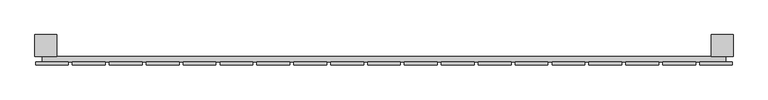
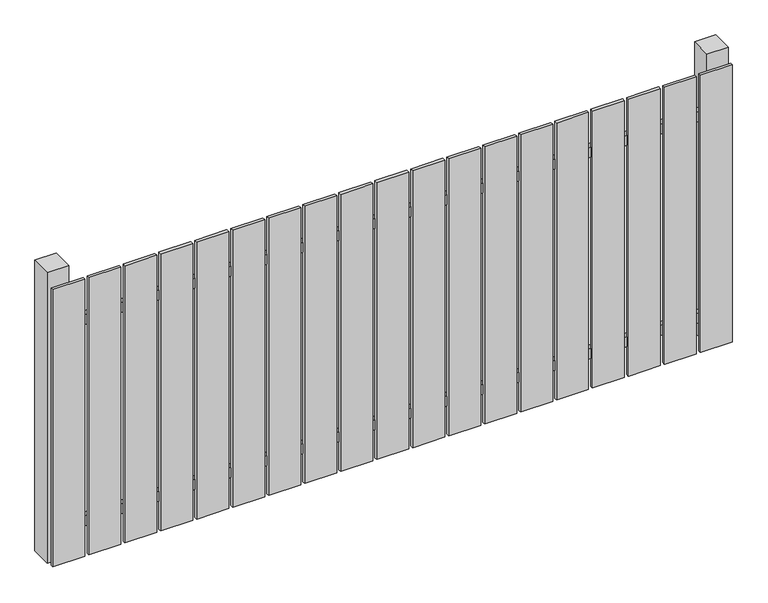
"""IFC4 building model written with IfcOpenShell, lengths in millimetres: railing geometry."""

from ifc_helpers import new_model, si_unit, frame, origin, origin_with_axes, place, context, project, spatial, polyline, outline, extrude, source, transform, mapped, element, save


def railing_3d18ed69(model_context):
    return source(origin(), model_context, "Body", "SweptSolid", [
        extrude(outline(polyline([(11087.4299228, -95939.0267127), (11087.4299228, -95919.0267127), (13587.4299228, -95919.0267127), (13587.4299228, -95939.0267127), (11087.4299228, -95939.0267127)])), frame((0.0, 0.0, 110.0), z_axis=(0.0, 0.0, 1.0), x_axis=(1.0, 0.0, 0.0)), (0.0, 0.0, 1.0), 40.0),
        extrude(outline(polyline([(11087.4299228, -95939.0267127), (11087.4299228, -95919.0267127), (13587.4299228, -95919.0267127), (13587.4299228, -95939.0267127), (11087.4299228, -95939.0267127)])), frame((0.0, 0.0, 910.0), z_axis=(0.0, 0.0, 1.0), x_axis=(1.0, 0.0, 0.0)), (0.0, 0.0, 1.0), 40.0),
        extrude(outline(polyline([(13492.4299228, -95950.5267127), (13492.4299228, -95939.5267127), (13612.4299228, -95939.5267127), (13612.4299228, -95950.5267127), (13492.4299228, -95950.5267127)])), origin_with_axes(), (0.0, 0.0, 1.0), 1100.0),
        extrude(outline(polyline([(13357.4299228, -95950.5267127), (13357.4299228, -95939.5267127), (13477.4299228, -95939.5267127), (13477.4299228, -95950.5267127), (13357.4299228, -95950.5267127)])), origin_with_axes(), (0.0, 0.0, 1.0), 1100.0),
        extrude(outline(polyline([(13222.4299228, -95950.5267127), (13222.4299228, -95939.5267127), (13342.4299228, -95939.5267127), (13342.4299228, -95950.5267127), (13222.4299228, -95950.5267127)])), origin_with_axes(), (0.0, 0.0, 1.0), 1100.0),
        extrude(outline(polyline([(13087.4299228, -95950.5267127), (13087.4299228, -95939.5267127), (13207.4299228, -95939.5267127), (13207.4299228, -95950.5267127), (13087.4299228, -95950.5267127)])), origin_with_axes(), (0.0, 0.0, 1.0), 1100.0),
        extrude(outline(polyline([(12952.4299228, -95950.5267127), (12952.4299228, -95939.5267127), (13072.4299228, -95939.5267127), (13072.4299228, -95950.5267127), (12952.4299228, -95950.5267127)])), origin_with_axes(), (0.0, 0.0, 1.0), 1100.0),
        extrude(outline(polyline([(12817.4299228, -95950.5267127), (12817.4299228, -95939.5267127), (12937.4299228, -95939.5267127), (12937.4299228, -95950.5267127), (12817.4299228, -95950.5267127)])), origin_with_axes(), (0.0, 0.0, 1.0), 1100.0),
        extrude(outline(polyline([(12682.4299228, -95950.5267127), (12682.4299228, -95939.5267127), (12802.4299228, -95939.5267127), (12802.4299228, -95950.5267127), (12682.4299228, -95950.5267127)])), origin_with_axes(), (0.0, 0.0, 1.0), 1100.0),
        extrude(outline(polyline([(12547.4299228, -95950.5267127), (12547.4299228, -95939.5267127), (12667.4299228, -95939.5267127), (12667.4299228, -95950.5267127), (12547.4299228, -95950.5267127)])), origin_with_axes(), (0.0, 0.0, 1.0), 1100.0),
        extrude(outline(polyline([(12412.4299228, -95950.5267127), (12412.4299228, -95939.5267127), (12532.4299228, -95939.5267127), (12532.4299228, -95950.5267127), (12412.4299228, -95950.5267127)])), origin_with_axes(), (0.0, 0.0, 1.0), 1100.0),
        extrude(outline(polyline([(12277.4299228, -95950.5267127), (12277.4299228, -95939.5267127), (12397.4299228, -95939.5267127), (12397.4299228, -95950.5267127), (12277.4299228, -95950.5267127)])), origin_with_axes(), (0.0, 0.0, 1.0), 1100.0),
        extrude(outline(polyline([(12142.4299228, -95950.5267127), (12142.4299228, -95939.5267127), (12262.4299228, -95939.5267127), (12262.4299228, -95950.5267127), (12142.4299228, -95950.5267127)])), origin_with_axes(), (0.0, 0.0, 1.0), 1100.0),
        extrude(outline(polyline([(12007.4299228, -95950.5267127), (12007.4299228, -95939.5267127), (12127.4299228, -95939.5267127), (12127.4299228, -95950.5267127), (12007.4299228, -95950.5267127)])), origin_with_axes(), (0.0, 0.0, 1.0), 1100.0),
        extrude(outline(polyline([(11872.4299228, -95950.5267127), (11872.4299228, -95939.5267127), (11992.4299228, -95939.5267127), (11992.4299228, -95950.5267127), (11872.4299228, -95950.5267127)])), origin_with_axes(), (0.0, 0.0, 1.0), 1100.0),
        extrude(outline(polyline([(11737.4299228, -95950.5267127), (11737.4299228, -95939.5267127), (11857.4299228, -95939.5267127), (11857.4299228, -95950.5267127), (11737.4299228, -95950.5267127)])), origin_with_axes(), (0.0, 0.0, 1.0), 1100.0),
        extrude(outline(polyline([(11602.4299228, -95950.5267127), (11602.4299228, -95939.5267127), (11722.4299228, -95939.5267127), (11722.4299228, -95950.5267127), (11602.4299228, -95950.5267127)])), origin_with_axes(), (0.0, 0.0, 1.0), 1100.0),
        extrude(outline(polyline([(11467.4299228, -95950.5267127), (11467.4299228, -95939.5267127), (11587.4299228, -95939.5267127), (11587.4299228, -95950.5267127), (11467.4299228, -95950.5267127)])), origin_with_axes(), (0.0, 0.0, 1.0), 1100.0),
        extrude(outline(polyline([(11332.4299228, -95950.5267127), (11332.4299228, -95939.5267127), (11452.4299228, -95939.5267127), (11452.4299228, -95950.5267127), (11332.4299228, -95950.5267127)])), origin_with_axes(), (0.0, 0.0, 1.0), 1100.0),
        extrude(outline(polyline([(11197.4299228, -95950.5267127), (11197.4299228, -95939.5267127), (11317.4299228, -95939.5267127), (11317.4299228, -95950.5267127), (11197.4299228, -95950.5267127)])), origin_with_axes(), (0.0, 0.0, 1.0), 1100.0),
        extrude(outline(polyline([(11062.4299228, -95950.5267127), (11062.4299228, -95939.5267127), (11182.4299228, -95939.5267127), (11182.4299228, -95950.5267127), (11062.4299228, -95950.5267127)])), origin_with_axes(), (0.0, 0.0, 1.0), 1100.0),
        extrude(outline(polyline([(13534.9299228, -95839.0267127), (13614.9299228, -95839.0267127), (13614.9299228, -95919.0267127), (13534.9299228, -95919.0267127), (13534.9299228, -95839.0267127)])), frame((0.0, 0.0, -4.0), z_axis=(0.0, 0.0, 1.0), x_axis=(1.0, 0.0, 0.0)), (0.0, 0.0, 1.0), 1154.0),
        extrude(outline(polyline([(11059.9299228, -95839.0267127), (11139.9299228, -95839.0267127), (11139.9299228, -95919.0267127), (11059.9299228, -95919.0267127), (11059.9299228, -95839.0267127)])), frame((0.0, 0.0, -4.0), z_axis=(0.0, 0.0, 1.0), x_axis=(1.0, 0.0, 0.0)), (0.0, 0.0, 1.0), 1154.0),
    ])


if __name__ == "__main__":
    model = new_model("IFC4")
    model_context = context("Model", 3, world=origin())
    ifc_project = project(units=[si_unit("LENGTHUNIT", "METRE", prefix="MILLI")], contexts=[model_context])
    site = spatial("IfcSite", under=ifc_project)
    building = spatial("IfcBuilding", under=site)
    placement = place(None, origin())
    railing_shape = railing_3d18ed69(model_context)
    element("IfcRailing", 1, at=placement, inside=building, context=model_context, shape_type="MappedRepresentation", body=[
        mapped(railing_shape, transform((0.0, 0.0, 0.0), x_axis=(1.0, 0.0, 0.0), y_axis=(0.0, 1.0, 0.0), z_axis=(0.0, 0.0, 1.0))),
    ])
    save(model, "model.ifc")
